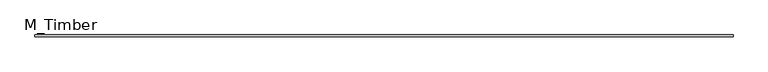
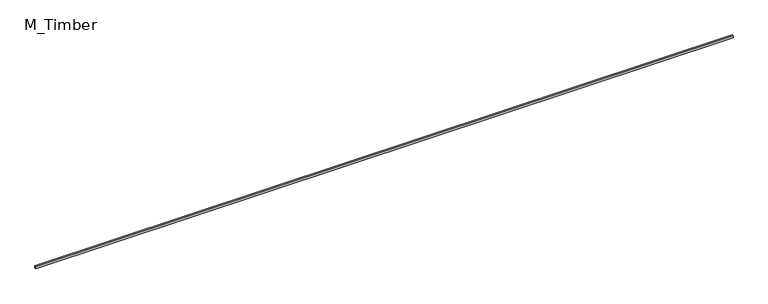
"""IFC4 building model written with IfcOpenShell, lengths in millimetres: beam geometry, M_Timber."""

from ifc_helpers import new_model, si_unit, frame, origin, place, context, project, spatial, polyline, outline, extrude, source, transform, mapped, element, save


def m_timber_48913018(model_context):
    return source(origin(), model_context, "Body", "SweptSolid", [
        extrude(outline(polyline([(7412.7447208, 20.0), (7412.7447208, -20.0), (-7412.7447208, -20.0), (-7412.7447208, 20.0), (7412.7447208, 20.0)])), frame((0.0, 0.0, -20.0), z_axis=(0.0, 0.0, 1.0), x_axis=(1.0, 0.0, 0.0)), (0.0, 0.0, 1.0), 40.0),
    ])


if __name__ == "__main__":
    model = new_model("IFC4")
    model_context = context("Model", 3, world=origin())
    ifc_project = project(units=[si_unit("LENGTHUNIT", "METRE", prefix="MILLI")], contexts=[model_context])
    site = spatial("IfcSite", under=ifc_project)
    building = spatial("IfcBuilding", under=site)
    placement = place(None, origin())
    m_timber_shape = m_timber_48913018(model_context)
    element("IfcBeam", 1, ObjectType="M_Timber", at=placement, inside=building, context=model_context, shape_type="MappedRepresentation", body=[
        mapped(m_timber_shape, transform((0.0, 0.0, 0.0), x_axis=(1.0, 0.0, 0.0), y_axis=(0.0, 1.0, 0.0), z_axis=(0.0, 0.0, 1.0))),
    ])
    save(model, "model.ifc")
